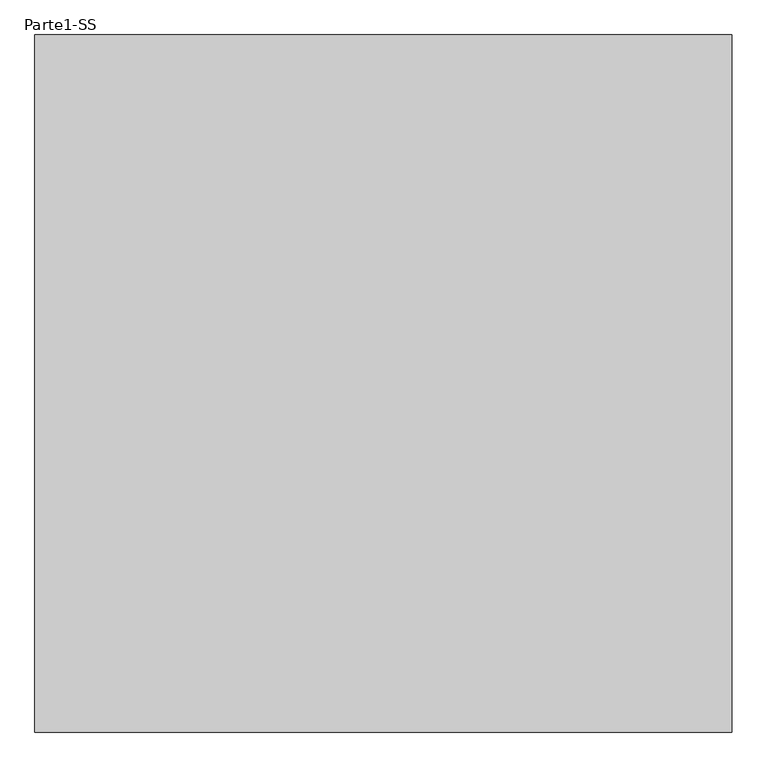
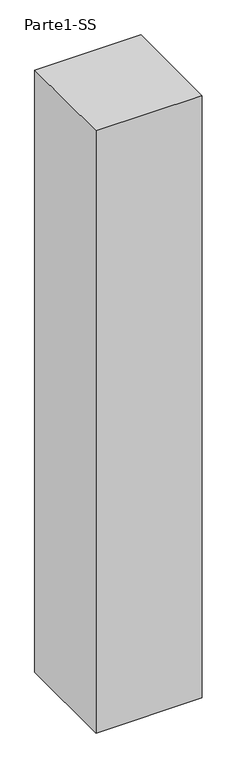
"""IFC4 building model written with IfcOpenShell, lengths in millimetres: proxy geometry, Parte1-SS."""

from ifc_helpers import new_model, si_unit, frame, origin, place, context, project, spatial, polyline, outline, extrude, source, transform, mapped, element, save


def parte1_ss_5cb3f658(model_context):
    return source(origin(), model_context, "Body", "SweptSolid", [
        extrude(outline(polyline([(2000.0, 2000.0), (2000.0, 0.0), (0.0, 0.0), (0.0, 2000.0), (2000.0, 2000.0)])), frame((0.0, 0.0, 10000.0), z_axis=(0.0, 0.0, 1.0), x_axis=(1.0, 0.0, 0.0)), (0.0, 0.0, 1.0), 12000.0),
    ])


if __name__ == "__main__":
    model = new_model("IFC4")
    model_context = context("Model", 3, world=origin())
    ifc_project = project(units=[si_unit("LENGTHUNIT", "METRE", prefix="MILLI")], contexts=[model_context])
    site = spatial("IfcSite", under=ifc_project)
    building = spatial("IfcBuilding", under=site)
    placement = place(None, origin())
    parte1_ss_shape = parte1_ss_5cb3f658(model_context)
    element("IfcBuildingElementProxy", 1, Name="Parte1-SS", ObjectType="Parte1-SS", at=placement, inside=building, context=model_context, shape_type="MappedRepresentation", body=[
        mapped(parte1_ss_shape, transform((0.0, 0.0, 0.0), x_axis=(1.0, 0.0, 0.0), y_axis=(0.0, 1.0, 0.0), z_axis=(0.0, 0.0, 1.0))),
    ])
    save(model, "model.ifc")
